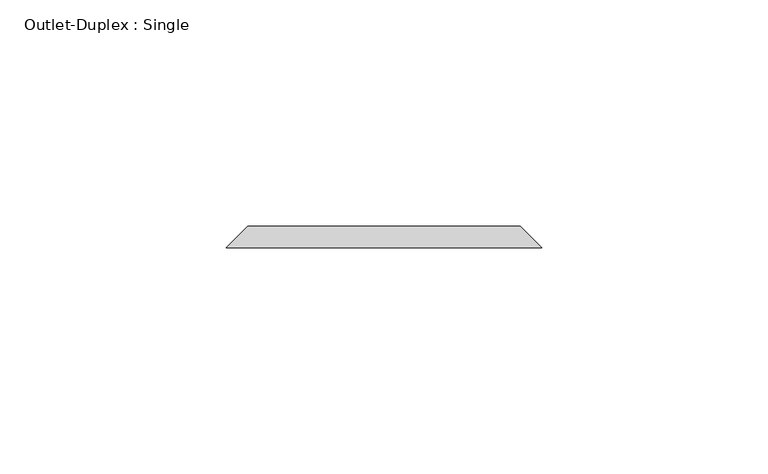
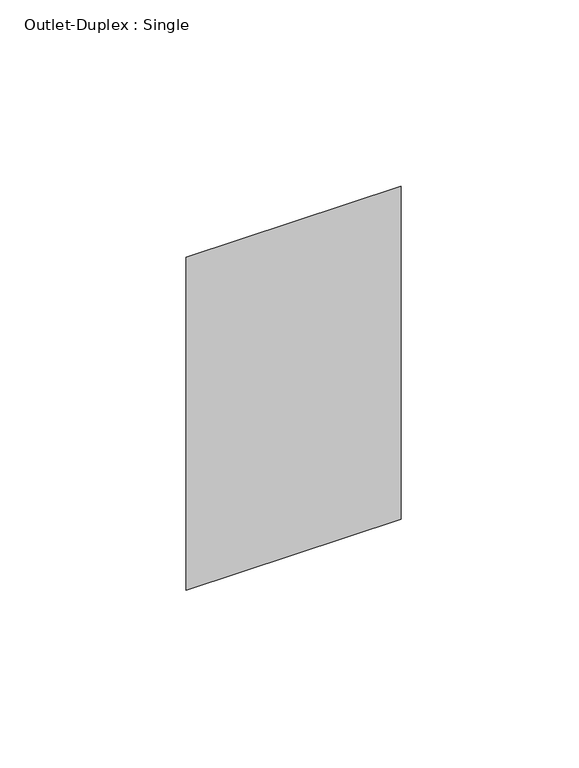
"""IFC4 building model written with IfcOpenShell, lengths in millimetres: proxy geometry, Outlet-Duplex : Single."""

from ifc_helpers import new_model, si_unit, origin, place, context, project, spatial, faceted_brep, source, transform, mapped, element, save


def outlet_duplex_single_c5759b60(model_context):
    return source(origin(), model_context, "Body", "Brep", [
        faceted_brep([(-30.1625, 106.3625, 357.1875), (30.1625, 106.3625, 357.1875), (30.1625, 106.3625, 252.4125), (-30.1625, 106.3625, 252.4125), (-34.925, 101.6, 361.95), (-34.925, 101.6, 247.65), (34.925, 101.6, 247.65), (34.925, 101.6, 361.95)], [[[0, 1, 2, 3]], [[4, 5, 6, 7]], [[4, 7, 1, 0]], [[7, 6, 2, 1]], [[6, 5, 3, 2]], [[5, 4, 0, 3]]]),
    ])


if __name__ == "__main__":
    model = new_model("IFC4")
    model_context = context("Model", 3, world=origin())
    ifc_project = project(units=[si_unit("LENGTHUNIT", "METRE", prefix="MILLI")], contexts=[model_context])
    site = spatial("IfcSite", under=ifc_project)
    building = spatial("IfcBuilding", under=site)
    placement = place(None, origin())
    outlet_duplex_single_shape = outlet_duplex_single_c5759b60(model_context)
    element("IfcBuildingElementProxy", 1, Name="Outlet-Duplex : Single", ObjectType="Outlet-Duplex : Single", at=placement, inside=building, context=model_context, shape_type="MappedRepresentation", body=[
        mapped(outlet_duplex_single_shape, transform((0.0, 0.0, 0.0), x_axis=(1.0, 0.0, 0.0), y_axis=(0.0, 1.0, 0.0), z_axis=(0.0, 0.0, 1.0))),
    ])
    save(model, "model.ifc")
